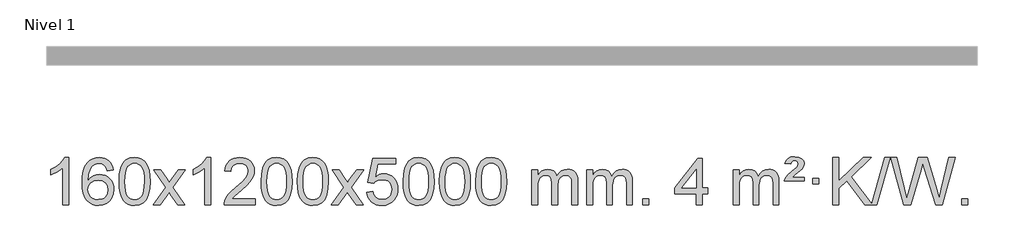
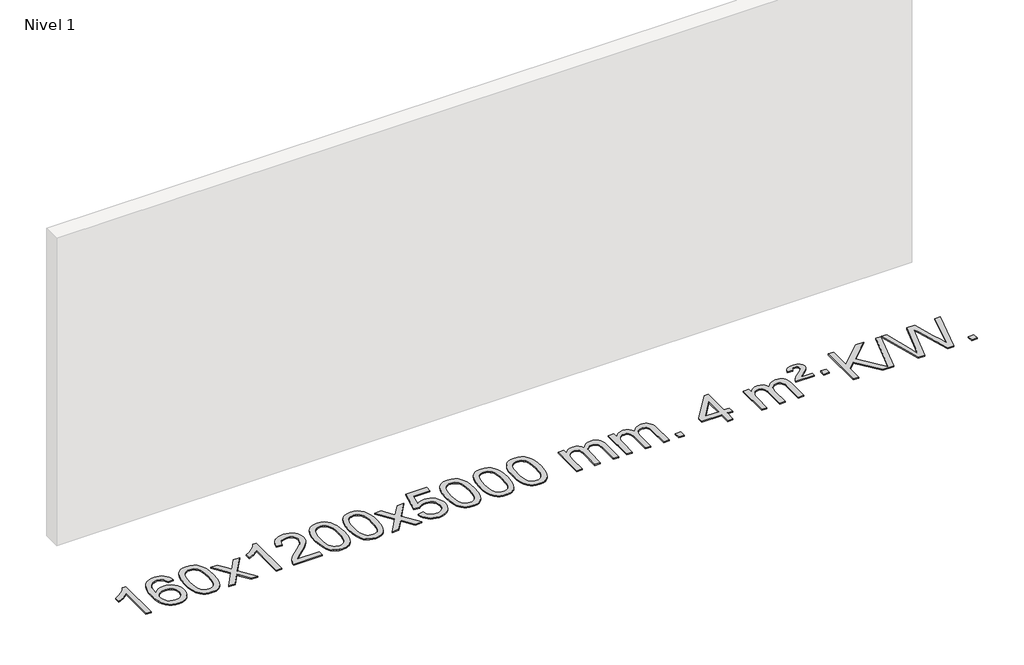
# One storey, part 2 of 5: 1 proxy.
"""IFC4 building model written with IfcOpenShell, lengths in millimetres."""

from ifc_helpers import new_model, si_unit, origin, origin_with_axes, place, context, project, spatial, polyline, outline, extrude, element, save

model = new_model("IFC4")

# Units and contexts
model_context = context("Model", 3, world=origin())
ifc_project = project(units=[si_unit("LENGTHUNIT", "METRE", prefix="MILLI")], contexts=[model_context])

# Site, building, storey
site = spatial("IfcSite", under=ifc_project)
building = spatial("IfcBuilding", under=site)
storey = spatial("IfcBuildingStorey", under=building, Name="Nivel 1", Elevation=0.0)

# Proxy
placement = place(None, origin())
element("IfcBuildingElementProxy", 1, Name="Texto de modelo 1", ObjectType="Texto de modelo 1", at=placement, inside=storey, context=model_context, shape_type="SweptSolid", body=[
    extrude(outline(polyline([(-43.1563615, -6395.579453), (-93.3845166, -6395.579453), (-93.3845166, -6082.4382987), (-114.3537903, -6099.3976587), (-140.9639213, -6116.3324932), (-193.8408268, -6141.6918254), (-193.8408268, -6094.2105225), (-154.3916142, -6072.7507395), (-120.2153768, -6047.219729), (-93.274152, -6020.0700378), (-75.5299771, -5993.7542124), (-43.1563615, -5993.7542124), (-43.1563615, -6395.579453)])), origin_with_axes(), (0.0, 0.0, 1.0), 10.0),
    extrude(outline(polyline([(333.5548015, -6100.4890419), (283.3266464, -6106.7675613), (275.2332425, -6081.874213), (264.2948846, -6064.8780648), (241.5107263, -6049.2062918), (213.9686276, -6043.9823675), (190.6203837, -6047.0235253), (168.6455658, -6056.1469988), (149.7732195, -6075.3627017), (134.3589639, -6101.8134171), (123.9479034, -6139.227016), (120.0851424, -6191.3313693), (140.2328131, -6167.8237098), (164.3781347, -6151.2567573), (191.1722066, -6141.434308), (219.2661283, -6138.1601582), (243.3991872, -6140.398107), (265.6683107, -6147.1119534), (286.0734987, -6158.3016975), (304.6147512, -6173.9673391), (320.0228755, -6193.1769106), (331.0286785, -6214.9984443), (337.6321603, -6239.4319401), (339.8333209, -6266.4773982), (335.6885171, -6302.4439945), (323.2541057, -6335.786366), (303.5601562, -6364.0642287), (277.6367382, -6384.8372987), (246.6610743, -6397.602804), (211.8103866, -6401.8579724), (181.8678579, -6399.0375437), (154.8254655, -6390.5762579), (130.6832096, -6376.4741147), (109.4410901, -6356.7311143), (92.1230451, -6330.5133908), (79.753013, -6296.9870783), (72.3309938, -6256.1521768), (69.8569874, -6208.0086864), (72.6038396, -6154.0342663), (80.8443963, -6107.9693092), (94.5786574, -6069.8138149), (113.8066231, -6039.5677835), (134.6471381, -6019.5243462), (158.8108538, -6005.2076052), (186.2977702, -5996.6175606), (217.1078873, -5993.7542124), (240.2415334, -5995.5261773), (261.1801503, -6000.8420722), (279.923738, -6009.7018969), (296.4722964, -6022.1056515), (310.3782358, -6037.6364031), (321.1939665, -6055.8772186), (328.9194884, -6076.8280983), (333.5548015, -6100.4890419)]), holes=[polyline([(120.0851424, -6265.6925832), (122.9914102, -6287.9494439), (131.7102135, -6309.2007605), (145.2482709, -6327.472233), (162.6123011, -6340.7895612), (183.5693121, -6348.9197533), (207.886312, -6351.6298173), (241.0324797, -6346.0134855), (254.9476162, -6338.9930708), (267.0907877, -6329.1644901), (276.9408281, -6316.9262824), (283.9765713, -6302.6769865), (289.6051658, -6268.1451299), (284.0501477, -6234.9989621), (277.106375, -6221.3781312), (267.3850933, -6209.725469), (255.2051336, -6200.3904634), (240.8853269, -6193.7226022), (205.8261728, -6188.3883133), (172.729056, -6193.7226022), (145.0520672, -6209.725469), (134.1290376, -6221.2248471), (126.3268736, -6234.3858254), (121.6455752, -6249.2084042), (120.0851424, -6265.6925832)])]), origin_with_axes(), (0.0, 0.0, 1.0), 10.0),
    extrude(outline(polyline([(383.7829566, -6197.9041943), (387.4740393, -6133.5861588), (398.5472873, -6082.2911459), (416.8923362, -6043.2343407), (428.7503991, -6028.0009605), (442.3988212, -6015.6309284), (457.8835875, -6006.0598651), (475.2506833, -5999.2233914), (515.6318637, -5993.7542124), (546.5830022, -5996.991574), (574.2967792, -6006.7036586), (597.4733449, -6022.5103217), (614.8128496, -6044.0314184), (627.9094486, -6071.0830078), (638.3572973, -6103.4811488), (645.1999024, -6144.6226186), (647.4807707, -6197.9041943), (643.8264762, -6261.8543477), (632.8635928, -6313.0267333), (614.6289086, -6352.1203266), (602.7984367, -6367.3996922), (589.1592118, -6379.8341036), (573.6560514, -6389.4695462), (556.2337732, -6396.3520052), (515.6318637, -6401.8579724), (487.9671376, -6399.4667394), (463.4416713, -6392.2930405), (442.0554646, -6380.3368757), (423.8085177, -6363.5982449), (406.2973347, -6333.3399508), (393.7893469, -6295.6381776), (386.2845542, -6250.4929255), (383.7829566, -6197.9041943)]), holes=[polyline([(434.0111117, -6197.8060924), (435.4826396, -6241.4706195), (439.8972236, -6276.8148822), (447.2548635, -6303.8388804), (457.5555594, -6322.5426142), (470.0144963, -6335.2682656), (483.8468593, -6344.3580165), (499.0526484, -6349.8118671), (515.6318637, -6351.6298173), (532.2110789, -6349.8057357), (547.416868, -6344.3334911), (561.2492311, -6335.2130833), (573.708168, -6322.4445124), (584.0088638, -6303.7101217), (591.3665037, -6276.6922549), (595.7810877, -6241.3909118), (597.2526157, -6197.8060924), (595.8301386, -6155.2973278), (591.5627075, -6120.5753989), (584.4503222, -6093.6403055), (574.4929829, -6074.4920476), (562.2425125, -6061.1440625), (548.2507339, -6051.6097875), (532.5176472, -6045.8892225), (515.0432525, -6043.9823675), (498.5498764, -6045.6623619), (483.6016046, -6050.7023452), (470.1984373, -6059.1023175), (458.3403743, -6070.8622786), (447.6963219, -6091.708925), (440.0934273, -6119.8151094), (435.5316906, -6155.1808319), (434.0111117, -6197.8060924)])]), origin_with_axes(), (0.0, 0.0, 1.0), 10.0),
    extrude(outline(polyline([(672.5948483, -6395.579453), (779.918289, -6247.2494325), (678.8733677, -6100.4890419), (739.3041167, -6100.4890419), (788.0607438, -6171.122385), (810.8203766, -6204.4770192), (830.5388515, -6177.2047007), (886.0645073, -6100.4890419), (946.4952564, -6100.4890419), (840.3490381, -6247.2494325), (942.5711818, -6395.579453), (882.1404327, -6395.579453), (820.6305631, -6306.4048574), (809.3488486, -6290.1199477), (733.0255973, -6395.579453), (672.5948483, -6395.579453)])), origin_with_axes(), (0.0, 0.0, 1.0), 10.0),
    extrude(outline(polyline([(1162.3193603, -6395.579453), (1112.0912052, -6395.579453), (1112.0912052, -6082.4382987), (1091.1219315, -6099.3976587), (1064.5118005, -6116.3324932), (1011.634895, -6141.6918254), (1011.634895, -6094.2105225), (1051.0841076, -6072.7507395), (1085.260345, -6047.219729), (1112.2015698, -6020.0700378), (1129.9457447, -5993.7542124), (1162.3193603, -5993.7542124), (1162.3193603, -6395.579453)])), origin_with_axes(), (0.0, 0.0, 1.0), 10.0),
    extrude(outline(polyline([(1539.0305233, -6345.3512979), (1539.0305233, -6395.579453), (1275.3327092, -6395.579453), (1276.4363552, -6377.8965918), (1280.7283118, -6360.9494945), (1293.1136723, -6333.8856424), (1311.2379919, -6307.6311307), (1337.4557154, -6280.1503456), (1374.1212876, -6249.4076736), (1428.3225682, -6201.2641831), (1460.8433366, -6165.7267824), (1477.1037208, -6136.884834), (1482.5238489, -6108.8277005), (1477.4102891, -6083.6768347), (1462.0696099, -6062.7688747), (1438.488374, -6048.6789943), (1408.6531442, -6043.9823675), (1377.321861, -6048.5686297), (1352.9803356, -6062.3274163), (1337.2717744, -6084.1796068), (1331.8393836, -6113.0460807), (1281.6112286, -6106.7675613), (1285.9307763, -6080.838012), (1293.7881226, -6058.1826125), (1305.1832674, -6038.8013627), (1320.1162107, -6022.6942627), (1338.243596, -6010.0329907), (1359.2220668, -6000.989225), (1383.051623, -5995.5629655), (1409.7322647, -5993.7542124), (1436.6520297, -5995.7653006), (1460.6103447, -6001.7985654), (1481.6072095, -6011.8540066), (1499.6426244, -6025.9316242), (1514.1279779, -6042.9890861), (1524.474659, -6061.9840598), (1530.6826677, -6082.9165453), (1532.7520039, -6105.7865427), (1530.5201865, -6129.8092369), (1523.8247342, -6153.4149983), (1511.9421457, -6177.4254299), (1494.1489199, -6202.6621347), (1465.7852181, -6232.7916701), (1422.1912016, -6271.4805933), (1364.4092029, -6319.795762), (1341.747672, -6345.3512979), (1539.0305233, -6345.3512979)])), origin_with_axes(), (0.0, 0.0, 1.0), 10.0),
    extrude(outline(polyline([(1589.2586784, -6197.9041943), (1592.9497611, -6133.5861588), (1604.0230091, -6082.2911459), (1622.368058, -6043.2343407), (1634.2261209, -6028.0009605), (1647.874543, -6015.6309284), (1663.3593093, -6006.0598651), (1680.7264051, -5999.2233914), (1721.1075855, -5993.7542124), (1752.058724, -5996.991574), (1779.772501, -6006.7036586), (1802.9490667, -6022.5103217), (1820.2885714, -6044.0314184), (1833.3851704, -6071.0830078), (1843.833019, -6103.4811488), (1850.6756242, -6144.6226186), (1852.9564925, -6197.9041943), (1849.302198, -6261.8543477), (1838.3393146, -6313.0267333), (1820.1046304, -6352.1203266), (1808.2741585, -6367.3996922), (1794.6349336, -6379.8341036), (1779.1317731, -6389.4695462), (1761.709495, -6396.3520052), (1721.1075855, -6401.8579724), (1693.4428594, -6399.4667394), (1668.9173931, -6392.2930405), (1647.5311864, -6380.3368757), (1629.2842395, -6363.5982449), (1611.7730565, -6333.3399508), (1599.2650687, -6295.6381776), (1591.760276, -6250.4929255), (1589.2586784, -6197.9041943)]), holes=[polyline([(1639.4868335, -6197.8060924), (1640.9583614, -6241.4706195), (1645.3729454, -6276.8148822), (1652.7305853, -6303.8388804), (1663.0312812, -6322.5426142), (1675.4902181, -6335.2682656), (1689.3225811, -6344.3580165), (1704.5283702, -6349.8118671), (1721.1075855, -6351.6298173), (1737.6868007, -6349.8057357), (1752.8925898, -6344.3334911), (1766.7249529, -6335.2130833), (1779.1838898, -6322.4445124), (1789.4845856, -6303.7101217), (1796.8422255, -6276.6922549), (1801.2568095, -6241.3909118), (1802.7283375, -6197.8060924), (1801.3058604, -6155.2973278), (1797.0384293, -6120.5753989), (1789.926044, -6093.6403055), (1779.9687047, -6074.4920476), (1767.7182342, -6061.1440625), (1753.7264557, -6051.6097875), (1737.993369, -6045.8892225), (1720.5189743, -6043.9823675), (1704.0255981, -6045.6623619), (1689.0773264, -6050.7023452), (1675.6741591, -6059.1023175), (1663.8160961, -6070.8622786), (1653.1720437, -6091.708925), (1645.5691491, -6119.8151094), (1641.0074124, -6155.1808319), (1639.4868335, -6197.8060924)])]), origin_with_axes(), (0.0, 0.0, 1.0), 10.0),
    extrude(outline(polyline([(1896.9061282, -6197.9041943), (1900.5972109, -6133.5861588), (1911.670459, -6082.2911459), (1930.0155078, -6043.2343407), (1941.8735708, -6028.0009605), (1955.5219928, -6015.6309284), (1971.0067591, -6006.0598651), (1988.373855, -5999.2233914), (2028.7550353, -5993.7542124), (2059.7061738, -5996.991574), (2087.4199508, -6006.7036586), (2110.5965165, -6022.5103217), (2127.9360212, -6044.0314184), (2141.0326202, -6071.0830078), (2151.4804689, -6103.4811488), (2158.323074, -6144.6226186), (2160.6039424, -6197.9041943), (2156.9496479, -6261.8543477), (2145.9867644, -6313.0267333), (2127.7520802, -6352.1203266), (2115.9216084, -6367.3996922), (2102.2823834, -6379.8341036), (2086.779223, -6389.4695462), (2069.3569448, -6396.3520052), (2028.7550353, -6401.8579724), (2001.0903093, -6399.4667394), (1976.5648429, -6392.2930405), (1955.1786363, -6380.3368757), (1936.9316893, -6363.5982449), (1919.4205063, -6333.3399508), (1906.9125185, -6295.6381776), (1899.4077258, -6250.4929255), (1896.9061282, -6197.9041943)]), holes=[polyline([(1947.1342833, -6197.8060924), (1948.6058113, -6241.4706195), (1953.0203952, -6276.8148822), (1960.3780351, -6303.8388804), (1970.678731, -6322.5426142), (1983.1376679, -6335.2682656), (1996.9700309, -6344.3580165), (2012.17582, -6349.8118671), (2028.7550353, -6351.6298173), (2045.3342505, -6349.8057357), (2060.5400397, -6344.3334911), (2074.3724027, -6335.2130833), (2086.8313396, -6322.4445124), (2097.1320355, -6303.7101217), (2104.4896754, -6276.6922549), (2108.9042593, -6241.3909118), (2110.3757873, -6197.8060924), (2108.9533102, -6155.2973278), (2104.6858791, -6120.5753989), (2097.5734939, -6093.6403055), (2087.6161545, -6074.4920476), (2075.3656841, -6061.1440625), (2061.3739055, -6051.6097875), (2045.6408189, -6045.8892225), (2028.1664241, -6043.9823675), (2011.673048, -6045.6623619), (1996.7247762, -6050.7023452), (1983.3216089, -6059.1023175), (1971.4635459, -6070.8622786), (1960.8194935, -6091.708925), (1953.2165989, -6119.8151094), (1948.6548622, -6155.1808319), (1947.1342833, -6197.8060924)])]), origin_with_axes(), (0.0, 0.0, 1.0), 10.0),
    extrude(outline(polyline([(2185.7180199, -6395.579453), (2293.0414606, -6247.2494325), (2191.9965393, -6100.4890419), (2252.4272884, -6100.4890419), (2301.1839155, -6171.122385), (2323.9435482, -6204.4770192), (2343.6620232, -6177.2047007), (2399.187679, -6100.4890419), (2459.618428, -6100.4890419), (2353.4722097, -6247.2494325), (2455.6943534, -6395.579453), (2395.2636044, -6395.579453), (2333.7537348, -6306.4048574), (2322.4720202, -6290.1199477), (2246.148769, -6395.579453), (2185.7180199, -6395.579453)])), origin_with_axes(), (0.0, 0.0, 1.0), 10.0),
    extrude(outline(polyline([(2487.0869503, -6288.8446235), (2537.3151054, -6282.5661041), (2546.5366808, -6312.7201649), (2562.6253867, -6334.3148381), (2585.5076468, -6347.3010725), (2615.1098847, -6351.6298173), (2634.2397484, -6350.1245668), (2651.1132693, -6345.6088153), (2665.7304472, -6338.0825628), (2678.0912822, -6327.5458094), (2687.9198629, -6314.519721), (2694.9402776, -6299.5254641), (2700.5566094, -6263.6324441), (2695.2958969, -6229.8363514), (2688.7200062, -6215.9181493), (2679.5137593, -6203.9865099), (2667.6464993, -6194.4154467), (2653.0875693, -6187.5789729), (2615.8946996, -6182.1097939), (2591.5286488, -6184.2925604), (2571.7979111, -6190.8408599), (2556.040299, -6200.8717757), (2543.5936248, -6213.5023908), (2493.3654697, -6207.2238715), (2537.3151054, -6000.0327318), (2731.9492063, -6000.0327318), (2731.9492063, -6050.2608869), (2577.9292777, -6050.2608869), (2556.4449692, -6160.919791), (2574.17075, -6148.2155994), (2592.3257264, -6139.1411769), (2610.9098986, -6133.6965234), (2629.9232663, -6131.8816388), (2654.3843533, -6134.1318504), (2676.8527462, -6140.882485), (2697.3284449, -6152.1335427), (2715.8114495, -6167.8850234), (2731.1122748, -6187.1743027), (2742.0414357, -6209.038756), (2748.5989323, -6233.4783832), (2750.7847645, -6260.4931844), (2748.8165958, -6286.5147042), (2742.9120898, -6310.7213394), (2733.0712464, -6333.1130902), (2719.2940657, -6353.6899565), (2698.4228938, -6374.7634634), (2674.0691058, -6389.8159684), (2646.2327015, -6398.8474714), (2614.9136809, -6401.8579724), (2588.9933287, -6399.9235262), (2565.5807054, -6394.1201877), (2544.675811, -6384.447957), (2526.2786456, -6370.9068338), (2510.9716889, -6354.1712688), (2499.3374208, -6334.915712), (2491.3758413, -6313.1401636), (2487.0869503, -6288.8446235)])), origin_with_axes(), (0.0, 0.0, 1.0), 10.0),
    extrude(outline(polyline([(2794.7344002, -6197.9041943), (2798.4254829, -6133.5861588), (2809.4987309, -6082.2911459), (2827.8437797, -6043.2343407), (2839.7018427, -6028.0009605), (2853.3502647, -6015.6309284), (2868.8350311, -6006.0598651), (2886.2021269, -5999.2233914), (2926.5833073, -5993.7542124), (2957.5344458, -5996.991574), (2985.2482228, -6006.7036586), (3008.4247884, -6022.5103217), (3025.7642932, -6044.0314184), (3038.8608922, -6071.0830078), (3049.3087408, -6103.4811488), (3056.151346, -6144.6226186), (3058.4322143, -6197.9041943), (3054.7779198, -6261.8543477), (3043.8150364, -6313.0267333), (3025.5803522, -6352.1203266), (3013.7498803, -6367.3996922), (3000.1106554, -6379.8341036), (2984.6074949, -6389.4695462), (2967.1852168, -6396.3520052), (2926.5833073, -6401.8579724), (2898.9185812, -6399.4667394), (2874.3931149, -6392.2930405), (2853.0069082, -6380.3368757), (2834.7599613, -6363.5982449), (2817.2487783, -6333.3399508), (2804.7407905, -6295.6381776), (2797.2359977, -6250.4929255), (2794.7344002, -6197.9041943)]), holes=[polyline([(2844.9625553, -6197.8060924), (2846.4340832, -6241.4706195), (2850.8486672, -6276.8148822), (2858.2063071, -6303.8388804), (2868.5070029, -6322.5426142), (2880.9659399, -6335.2682656), (2894.7983029, -6344.3580165), (2910.004092, -6349.8118671), (2926.5833073, -6351.6298173), (2943.1625225, -6349.8057357), (2958.3683116, -6344.3334911), (2972.2006747, -6335.2130833), (2984.6596116, -6322.4445124), (2994.9603074, -6303.7101217), (3002.3179473, -6276.6922549), (3006.7325313, -6241.3909118), (3008.2040592, -6197.8060924), (3006.7815822, -6155.2973278), (3002.5141511, -6120.5753989), (2995.4017658, -6093.6403055), (2985.4444265, -6074.4920476), (2973.193956, -6061.1440625), (2959.2021775, -6051.6097875), (2943.4690908, -6045.8892225), (2925.9946961, -6043.9823675), (2909.5013199, -6045.6623619), (2894.5530482, -6050.7023452), (2881.1498808, -6059.1023175), (2869.2918179, -6070.8622786), (2858.6477655, -6091.708925), (2851.0448709, -6119.8151094), (2846.4831342, -6155.1808319), (2844.9625553, -6197.8060924)])]), origin_with_axes(), (0.0, 0.0, 1.0), 10.0),
    extrude(outline(polyline([(3102.38185, -6197.9041943), (3106.0729327, -6133.5861588), (3117.1461808, -6082.2911459), (3135.4912296, -6043.2343407), (3147.3492926, -6028.0009605), (3160.9977146, -6015.6309284), (3176.4824809, -6006.0598651), (3193.8495767, -5999.2233914), (3234.2307571, -5993.7542124), (3265.1818956, -5996.991574), (3292.8956726, -6006.7036586), (3316.0722383, -6022.5103217), (3333.411743, -6044.0314184), (3346.508342, -6071.0830078), (3356.9561907, -6103.4811488), (3363.7987958, -6144.6226186), (3366.0796642, -6197.9041943), (3362.4253697, -6261.8543477), (3351.4624862, -6313.0267333), (3333.227802, -6352.1203266), (3321.3973302, -6367.3996922), (3307.7581052, -6379.8341036), (3292.2549448, -6389.4695462), (3274.8326666, -6396.3520052), (3234.2307571, -6401.8579724), (3206.566031, -6399.4667394), (3182.0405647, -6392.2930405), (3160.6543581, -6380.3368757), (3142.4074111, -6363.5982449), (3124.8962281, -6333.3399508), (3112.3882403, -6295.6381776), (3104.8834476, -6250.4929255), (3102.38185, -6197.9041943)]), holes=[polyline([(3152.6100051, -6197.8060924), (3154.0815331, -6241.4706195), (3158.496117, -6276.8148822), (3165.8537569, -6303.8388804), (3176.1544528, -6322.5426142), (3188.6133897, -6335.2682656), (3202.4457527, -6344.3580165), (3217.6515418, -6349.8118671), (3234.2307571, -6351.6298173), (3250.8099723, -6349.8057357), (3266.0157615, -6344.3334911), (3279.8481245, -6335.2130833), (3292.3070614, -6322.4445124), (3302.6077573, -6303.7101217), (3309.9653972, -6276.6922549), (3314.3799811, -6241.3909118), (3315.8515091, -6197.8060924), (3314.429032, -6155.2973278), (3310.1616009, -6120.5753989), (3303.0492157, -6093.6403055), (3293.0918763, -6074.4920476), (3280.8414059, -6061.1440625), (3266.8496273, -6051.6097875), (3251.1165407, -6045.8892225), (3233.6421459, -6043.9823675), (3217.1487698, -6045.6623619), (3202.200498, -6050.7023452), (3188.7973307, -6059.1023175), (3176.9392677, -6070.8622786), (3166.2952153, -6091.708925), (3158.6923207, -6119.8151094), (3154.130584, -6155.1808319), (3152.6100051, -6197.8060924)])]), origin_with_axes(), (0.0, 0.0, 1.0), 10.0),
    extrude(outline(polyline([(3410.0292998, -6197.9041943), (3413.7203825, -6133.5861588), (3424.7936306, -6082.2911459), (3443.1386794, -6043.2343407), (3454.9967424, -6028.0009605), (3468.6451644, -6015.6309284), (3484.1299307, -6006.0598651), (3501.4970266, -5999.2233914), (3541.8782069, -5993.7542124), (3572.8293454, -5996.991574), (3600.5431224, -6006.7036586), (3623.7196881, -6022.5103217), (3641.0591928, -6044.0314184), (3654.1557918, -6071.0830078), (3664.6036405, -6103.4811488), (3671.4462456, -6144.6226186), (3673.727114, -6197.9041943), (3670.0728195, -6261.8543477), (3659.109936, -6313.0267333), (3640.8752518, -6352.1203266), (3629.04478, -6367.3996922), (3615.405555, -6379.8341036), (3599.9023946, -6389.4695462), (3582.4801165, -6396.3520052), (3541.8782069, -6401.8579724), (3514.2134809, -6399.4667394), (3489.6880145, -6392.2930405), (3468.3018079, -6380.3368757), (3450.0548609, -6363.5982449), (3432.543678, -6333.3399508), (3420.0356901, -6295.6381776), (3412.5308974, -6250.4929255), (3410.0292998, -6197.9041943)]), holes=[polyline([(3460.2574549, -6197.8060924), (3461.7289829, -6241.4706195), (3466.1435668, -6276.8148822), (3473.5012067, -6303.8388804), (3483.8019026, -6322.5426142), (3496.2608395, -6335.2682656), (3510.0932025, -6344.3580165), (3525.2989917, -6349.8118671), (3541.8782069, -6351.6298173), (3558.4574222, -6349.8057357), (3573.6632113, -6344.3334911), (3587.4955743, -6335.2130833), (3599.9545112, -6322.4445124), (3610.2552071, -6303.7101217), (3617.612847, -6276.6922549), (3622.0274309, -6241.3909118), (3623.4989589, -6197.8060924), (3622.0764819, -6155.2973278), (3617.8090507, -6120.5753989), (3610.6966655, -6093.6403055), (3600.7393261, -6074.4920476), (3588.4888557, -6061.1440625), (3574.4970772, -6051.6097875), (3558.7639905, -6045.8892225), (3541.2895957, -6043.9823675), (3524.7962196, -6045.6623619), (3509.8479479, -6050.7023452), (3496.4447805, -6059.1023175), (3484.5867175, -6070.8622786), (3473.9426651, -6091.708925), (3466.3397706, -6119.8151094), (3461.7780338, -6155.1808319), (3460.2574549, -6197.8060924)])]), origin_with_axes(), (0.0, 0.0, 1.0), 10.0),
    extrude(outline(polyline([(3887.1967731, -6395.579453), (3887.1967731, -6100.4890419), (3937.4249281, -6100.4890419), (3937.4249281, -6149.0494653), (3952.5326154, -6126.7435537), (3971.9567847, -6109.2691589), (3995.0352486, -6097.9751816), (4021.1058193, -6094.2105225), (4049.0403255, -6098.048758), (4071.4320762, -6109.5634645), (4088.1584443, -6127.9943524), (4099.0968023, -6152.5811324), (4117.4050629, -6127.0439906), (4138.2884975, -6108.803175), (4161.7471061, -6097.8586857), (4187.7808886, -6094.2105225), (4207.8887053, -6095.7280358), (4225.537844, -6100.2805755), (4240.7283047, -6107.8681416), (4253.4600875, -6118.4907342), (4263.5247257, -6132.2709806), (4270.713753, -6149.3315082), (4275.0271694, -6169.6723168), (4276.4649749, -6193.2934066), (4276.4649749, -6395.579453), (4226.2368198, -6395.579453), (4226.2368198, -6214.875817), (4225.0718602, -6189.8230531), (4221.5769812, -6172.9372695), (4215.0286817, -6161.3735121), (4204.7034604, -6152.2868268), (4191.4229203, -6146.4007149), (4176.0086647, -6144.4386776), (4148.7976598, -6149.4663982), (4126.6143755, -6164.54956), (4118.0090025, -6176.1194488), (4111.8623075, -6190.7182326), (4106.9449515, -6229.0024856), (4106.9449515, -6395.579453), (4056.7167964, -6395.579453), (4056.7167964, -6209.2840106), (4053.8105287, -6180.8835206), (4045.0917254, -6160.6254854), (4029.7510462, -6148.4853796), (4006.9791507, -6144.4386776), (3987.6285577, -6147.1364789), (3969.7985437, -6155.2298828), (3955.0832639, -6168.5226856), (3945.0768736, -6186.8186835), (3939.3379145, -6212.2025411), (3937.4249281, -6246.7589232), (3937.4249281, -6395.579453), (3887.1967731, -6395.579453)])), origin_with_axes(), (0.0, 0.0, 1.0), 10.0),
    extrude(outline(polyline([(4351.8072075, -6395.579453), (4351.8072075, -6100.4890419), (4402.0353626, -6100.4890419), (4402.0353626, -6149.0494653), (4417.1430498, -6126.7435537), (4436.5672192, -6109.2691589), (4459.645683, -6097.9751816), (4485.7162537, -6094.2105225), (4513.6507599, -6098.048758), (4536.0425107, -6109.5634645), (4552.7688787, -6127.9943524), (4563.7072367, -6152.5811324), (4582.0154973, -6127.0439906), (4602.8989319, -6108.803175), (4626.3575405, -6097.8586857), (4652.391323, -6094.2105225), (4672.4991397, -6095.7280358), (4690.1482785, -6100.2805755), (4705.3387392, -6107.8681416), (4718.0705219, -6118.4907342), (4728.1351602, -6132.2709806), (4735.3241875, -6149.3315082), (4739.6376039, -6169.6723168), (4741.0754093, -6193.2934066), (4741.0754093, -6395.579453), (4690.8472543, -6395.579453), (4690.8472543, -6214.875817), (4689.6822946, -6189.8230531), (4686.1874157, -6172.9372695), (4679.6391161, -6161.3735121), (4669.3138948, -6152.2868268), (4656.0333548, -6146.4007149), (4640.6190992, -6144.4386776), (4613.4080943, -6149.4663982), (4591.22481, -6164.54956), (4582.619437, -6176.1194488), (4576.472742, -6190.7182326), (4571.555386, -6229.0024856), (4571.555386, -6395.579453), (4521.3272309, -6395.579453), (4521.3272309, -6209.2840106), (4518.4209631, -6180.8835206), (4509.7021598, -6160.6254854), (4494.3614806, -6148.4853796), (4471.5895851, -6144.4386776), (4452.2389922, -6147.1364789), (4434.4089782, -6155.2298828), (4419.6936983, -6168.5226856), (4409.6873081, -6186.8186835), (4403.948349, -6212.2025411), (4402.0353626, -6246.7589232), (4402.0353626, -6395.579453), (4351.8072075, -6395.579453)])), origin_with_axes(), (0.0, 0.0, 1.0), 10.0),
    extrude(outline(polyline([(4828.9746807, -6395.579453), (4828.9746807, -6345.3512979), (4879.2028358, -6345.3512979), (4879.2028358, -6395.579453), (4828.9746807, -6395.579453)])), origin_with_axes(), (0.0, 0.0, 1.0), 10.0),
    extrude(outline(polyline([(5281.0280764, -6395.579453), (5281.0280764, -6301.4016622), (5098.9510142, -6301.4016622), (5098.9510142, -6251.1735072), (5293.5851152, -6000.0327318), (5331.2562315, -6000.0327318), (5331.2562315, -6251.1735072), (5381.4843865, -6251.1735072), (5381.4843865, -6301.4016622), (5331.2562315, -6301.4016622), (5331.2562315, -6395.579453), (5281.0280764, -6395.579453)]), holes=[polyline([(5281.0280764, -6251.1735072), (5281.0280764, -6095.9763561), (5160.7551894, -6251.1735072), (5281.0280764, -6251.1735072)])]), origin_with_axes(), (0.0, 0.0, 1.0), 10.0),
    extrude(outline(polyline([(5594.9540456, -6395.579453), (5594.9540456, -6100.4890419), (5645.1822007, -6100.4890419), (5645.1822007, -6149.0494653), (5660.2898879, -6126.7435537), (5679.7140573, -6109.2691589), (5702.7925211, -6097.9751816), (5728.8630918, -6094.2105225), (5756.797598, -6098.048758), (5779.1893488, -6109.5634645), (5795.9157168, -6127.9943524), (5806.8540748, -6152.5811324), (5825.1623355, -6127.0439906), (5846.04577, -6108.803175), (5869.5043786, -6097.8586857), (5895.5381611, -6094.2105225), (5915.6459778, -6095.7280358), (5933.2951166, -6100.2805755), (5948.4855773, -6107.8681416), (5961.21736, -6118.4907342), (5971.2819983, -6132.2709806), (5978.4710256, -6149.3315082), (5982.784442, -6169.6723168), (5984.2222474, -6193.2934066), (5984.2222474, -6395.579453), (5933.9940924, -6395.579453), (5933.9940924, -6214.875817), (5932.8291327, -6189.8230531), (5929.3342538, -6172.9372695), (5922.7859542, -6161.3735121), (5912.4607329, -6152.2868268), (5899.1801929, -6146.4007149), (5883.7659373, -6144.4386776), (5856.5549324, -6149.4663982), (5834.3716481, -6164.54956), (5825.7662751, -6176.1194488), (5819.6195801, -6190.7182326), (5814.7022241, -6229.0024856), (5814.7022241, -6395.579453), (5764.474069, -6395.579453), (5764.474069, -6209.2840106), (5761.5678012, -6180.8835206), (5752.8489979, -6160.6254854), (5737.5083187, -6148.4853796), (5714.7364232, -6144.4386776), (5695.3858303, -6147.1364789), (5677.5558163, -6155.2298828), (5662.8405364, -6168.5226856), (5652.8341462, -6186.8186835), (5647.0951871, -6212.2025411), (5645.1822007, -6246.7589232), (5645.1822007, -6395.579453), (5594.9540456, -6395.579453)])), origin_with_axes(), (0.0, 0.0, 1.0), 10.0),
    extrude(outline(polyline([(6028.1718831, -6194.6668327), (6031.9978559, -6178.8479069), (6040.3365144, -6162.9799302), (6061.8453484, -6137.8413272), (6093.8020311, -6110.1030247), (6137.9478705, -6072.726214), (6145.0847812, -6061.1992448), (6147.4637514, -6049.3779701), (6145.5752905, -6037.2869152), (6139.9099078, -6027.5012541), (6130.5411796, -6021.026531), (6117.5426825, -6018.8682899), (6105.108271, -6020.4869707), (6096.2545777, -6025.343013), (6089.8289055, -6034.8098431), (6084.6785576, -6050.2608869), (6034.4504025, -6043.9823675), (6045.2906586, -6018.7701881), (6061.9189248, -6001.2099542), (6085.6841017, -5990.9092583), (6117.9350899, -5987.475693), (6153.7177453, -5991.6082341), (6178.4639409, -6004.0058573), (6192.8849151, -6022.3386434), (6197.6919065, -6044.2766731), (6193.5961536, -6067.1834586), (6181.308895, -6088.8149199), (6160.7810797, -6108.6314968), (6124.3117112, -6136.6886303), (6098.7071243, -6163.2742358), (6197.6919065, -6163.2742358), (6197.6919065, -6194.6668327), (6028.1718831, -6194.6668327)])), origin_with_axes(), (0.0, 0.0, 1.0), 10.0),
    extrude(outline(polyline([(6273.0341391, -6219.7809102), (6273.0341391, -6169.5527552), (6323.2622942, -6169.5527552), (6323.2622942, -6219.7809102), (6273.0341391, -6219.7809102)])), origin_with_axes(), (0.0, 0.0, 1.0), 10.0),
    extrude(outline(polyline([(6713.9039221, -6395.579453), (6560.4726047, -6192.9009991), (6492.7823176, -6257.4520265), (6492.7823176, -6395.579453), (6442.5541625, -6395.579453), (6442.5541625, -5993.7542124), (6492.7823176, -5993.7542124), (6492.7823176, -6190.4484525), (6698.7962349, -5993.7542124), (6769.0371705, -5993.7542124), (6596.0835818, -6158.9577537), (6770.7371917, -6389.5349332), (6882.0505194, -5993.7542124), (6927.3735812, -5993.7542124), (6814.3602323, -6395.579453), (6775.3156899, -6395.579453), (6769.0371705, -6395.579453), (6713.9039221, -6395.579453)])), origin_with_axes(), (0.0, 0.0, 1.0), 10.0),
    extrude(outline(polyline([(7041.8584581, -6395.579453), (6932.2786745, -5993.7542124), (6984.0764594, -5993.7542124), (7047.6464682, -6257.844434), (7067.2668412, -6339.3670841), (7088.2606404, -6267.2622131), (7167.9193551, -5993.7542124), (7242.5748747, -5993.7542124), (7300.4549752, -6192.0180823), (7325.2502217, -6265.5944814), (7343.5216941, -6339.3670841), (7362.553456, -6260.1988788), (7426.712076, -5993.7542124), (7478.5098609, -5993.7542124), (7368.8319754, -6395.579453), (7315.170255, -6395.579453), (7218.8342232, -6085.5775584), (7205.3942677, -6042.3146358), (7190.2865804, -6094.4067263), (7102.4854109, -6395.579453), (7041.8584581, -6395.579453)])), origin_with_axes(), (0.0, 0.0, 1.0), 10.0),
    extrude(outline(polyline([(7535.0165354, -6395.579453), (7535.0165354, -6345.3512979), (7585.2446904, -6345.3512979), (7585.2446904, -6395.579453), (7535.0165354, -6395.579453)])), origin_with_axes(), (0.0, 0.0, 1.0), 10.0),
])

save(model, "model.ifc")
